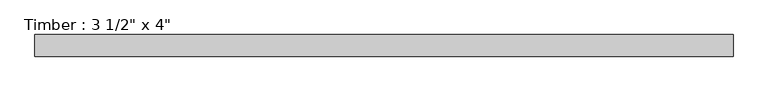
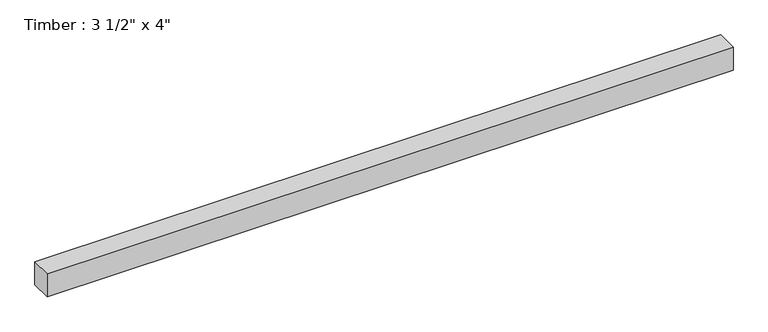
"""IFC4 building model written with IfcOpenShell, lengths in millimetres: beam geometry."""

import ifcopenshell
import ifcopenshell.guid

model = None  # the IFC model being written
_history = None  # IfcOwnerHistory: only IFC2X3 demands one
_inside = {}  # id of a spatial element -> (the spatial element, [elements in it])
_under = {}  # id of a project, library or spatial element -> (it, [spatial elements below it])
_declared = {}  # id of a project -> (the project, [libraries it declares])
_typed = {}  # id of a type object -> (the type object, [elements of that type])
_made_of = {}  # id of a material, layer set ... -> (it, [elements and type objects made of it])


def new_model(schema):
    """Start an empty IFC model of exactly this schema.

    Asked for "IFC4X3", IfcOpenShell would pick the latest addendum, in which some entities
    have other attributes; the version numbers below select the first issue.
    IFC2X3 requires an IfcOwnerHistory on every rooted entity: one is made here for all.
    """
    global model, _history
    if schema == "IFC4X3":
        model = ifcopenshell.file(schema_version=(4, 3, 0, 0))
    else:
        model = ifcopenshell.file(schema=schema)
    _inside.clear()
    _under.clear()
    _declared.clear()
    _typed.clear()
    _made_of.clear()
    _history = None
    if model.schema == "IFC2X3":
        org = make("IfcOrganization", Name="unknown")
        user = make(
            "IfcPersonAndOrganization",
            ThePerson=make("IfcPerson", FamilyName="unknown"),
            TheOrganization=org,
        )
        app = make(
            "IfcApplication",
            ApplicationDeveloper=org,
            Version="unknown",
            ApplicationFullName="unknown",
            ApplicationIdentifier="unknown",
        )
        _history = make(
            "IfcOwnerHistory",
            OwningUser=user,
            OwningApplication=app,
            ChangeAction="ADDED",
            CreationDate=0,
        )
    return model


def make(cls, **values):
    """One entity of the class cls with the attributes given. An attribute that is None is left unset."""
    return model.create_entity(
        cls, **{name: value for name, value in values.items() if value is not None}
    )


def rooted(cls, **values):
    """An entity with a GlobalId (a new one), such as an element, a storey or a relation."""
    return make(cls, GlobalId=ifcopenshell.guid.new(), OwnerHistory=_history, **values)


def si_unit(unit_type, name, prefix=None):
    """IfcSIUnit, for example si_unit("LENGTHUNIT", "METRE", prefix="MILLI")."""
    return make("IfcSIUnit", UnitType=unit_type, Prefix=prefix, Name=name)


def assignment(units):
    """IfcUnitAssignment: the units of a project."""
    return None if units is None else make("IfcUnitAssignment", Units=units)


def point(xyz):
    """IfcCartesianPoint."""
    return None if xyz is None else make("IfcCartesianPoint", Coordinates=xyz)


def direction(xyz):
    """IfcDirection."""
    return None if xyz is None else make("IfcDirection", DirectionRatios=xyz)


def frame(location, z_axis=None, x_axis=None):
    """IfcAxis2Placement3D, a coordinate frame: its origin and axes. An axis left out is left unset."""
    return make(
        "IfcAxis2Placement3D",
        Location=point(location),
        Axis=direction(z_axis),
        RefDirection=direction(x_axis),
    )


def origin():
    """The frame at (0, 0, 0) with its axes left unset."""
    return frame((0.0, 0.0, 0.0))


def place(relative_to, where):
    """IfcLocalPlacement: puts the frame where relative to a parent placement (None: the world)."""
    return make(
        "IfcLocalPlacement", PlacementRelTo=relative_to, RelativePlacement=where
    )


def context(
    kind, dimensions, precision=None, world=None, true_north=None, identifier=None
):
    """IfcGeometricRepresentationContext, for example the 3D "Model" context."""
    return make(
        "IfcGeometricRepresentationContext",
        ContextIdentifier=identifier,
        ContextType=kind,
        CoordinateSpaceDimension=dimensions,
        Precision=precision,
        WorldCoordinateSystem=world,
        TrueNorth=true_north,
    )


def project(units=None, contexts=None):
    """IfcProject with its units and contexts."""
    return rooted(
        "IfcProject",
        Name="project",
        RepresentationContexts=contexts,
        UnitsInContext=assignment(units),
    )


def spatial(cls, under=None, at=None, **own):
    """A site, building, storey or space (cls), placed at a placement, below another one or the project."""
    s = rooted(cls, ObjectPlacement=at, **own)
    if under is not None:
        _under.setdefault(under.id(), (under, []))[1].append(s)
    return s


def polyline(points):
    """IfcPolyline through the points."""
    return make("IfcPolyline", Points=[point(p) for p in points])


def outline(outer, holes=None, kind="AREA"):
    """IfcArbitraryClosedProfileDef: a profile drawn as a closed curve; with holes, ...WithVoids."""
    if holes is None:
        return make("IfcArbitraryClosedProfileDef", ProfileType=kind, OuterCurve=outer)
    return make(
        "IfcArbitraryProfileDefWithVoids",
        ProfileType=kind,
        OuterCurve=outer,
        InnerCurves=holes,
    )


def extrude(swept, where, along, depth):
    """IfcExtrudedAreaSolid: the profile swept, set in the frame where, extruded along a direction by depth."""
    return make(
        "IfcExtrudedAreaSolid",
        SweptArea=swept,
        Position=where,
        ExtrudedDirection=direction(along),
        Depth=depth,
    )


def shape(context_of_items, identifier, shape_type, items):
    """IfcShapeRepresentation: the items that make up one representation, for example the "Body"."""
    return make(
        "IfcShapeRepresentation",
        ContextOfItems=context_of_items,
        RepresentationIdentifier=identifier,
        RepresentationType=shape_type,
        Items=items,
    )


def source(mapping_origin, context_of_items, identifier, shape_type, items):
    """IfcRepresentationMap: a shape defined once, which mapped items show again and again."""
    return make(
        "IfcRepresentationMap",
        MappingOrigin=mapping_origin,
        MappedRepresentation=shape(context_of_items, identifier, shape_type, items),
    )


def transform(
    local_origin,
    x_axis=None,
    y_axis=None,
    z_axis=None,
    scale=None,
    scale2=None,
    scale3=None,
    uniform=True,
):
    """IfcCartesianTransformationOperator3D, or its non-uniform kind. x_axis, y_axis, z_axis: its Axis1, 2, 3."""
    if uniform:
        return make(
            "IfcCartesianTransformationOperator3D",
            Axis1=direction(x_axis),
            Axis2=direction(y_axis),
            LocalOrigin=point(local_origin),
            Scale=scale,
            Axis3=direction(z_axis),
        )
    return make(
        "IfcCartesianTransformationOperator3DnonUniform",
        Axis1=direction(x_axis),
        Axis2=direction(y_axis),
        LocalOrigin=point(local_origin),
        Scale=scale,
        Axis3=direction(z_axis),
        Scale2=scale2,
        Scale3=scale3,
    )


def mapped(mapping_source, mapping_target):
    """IfcMappedItem: shows the shape of a source again, moved by a transform."""
    return make(
        "IfcMappedItem", MappingSource=mapping_source, MappingTarget=mapping_target
    )


def made_of(thing, what):
    """Note that an element or type object is made of a material, layer set ...; save() writes the relation."""
    if what is not None:
        _made_of.setdefault(what.id(), (what, []))[1].append(thing)
    return thing


def element(
    cls,
    number,
    at=None,
    inside=None,
    cuts=None,
    type_object=None,
    material=None,
    context=None,
    identifier="Body",
    shape_type=None,
    held_by="IfcProductDefinitionShape",
    body=None,
    shapes=None,
    **own,
):
    """One element of the class cls, such as IfcWall. Its Tag is "e" and its number.

    at: its placement. inside: the storey or other place that contains it. cuts: it is an
    opening in that element (IfcRelVoidsElement). A single representation is given by context,
    identifier, shape_type and body (its items); several are given by shapes. held_by: the class
    of the entity that holds the representations. save() writes the other relations.
    """
    e = rooted(cls, Tag="e%d" % number, ObjectPlacement=at, **own)
    if body is not None:
        shapes = [shape(context, identifier, shape_type, body)]
    if shapes is not None:
        e.Representation = make(held_by, Representations=shapes)
    if inside is not None:
        _inside.setdefault(inside.id(), (inside, []))[1].append(e)
    if cuts is not None:
        rooted(
            "IfcRelVoidsElement", RelatingBuildingElement=cuts, RelatedOpeningElement=e
        )
    if type_object is not None:
        _typed.setdefault(type_object.id(), (type_object, []))[1].append(e)
    return made_of(e, material)


def aggregate(whole, parts):
    """IfcRelAggregates: a whole, such as a stair, and the parts it consists of."""
    return rooted("IfcRelAggregates", RelatingObject=whole, RelatedObjects=parts)


def save(model, path):
    """Write the relations noted so far, then the file.

    IfcRelAggregates (storeys below a building ...), IfcRelContainedInSpatialStructure (elements
    in a storey), IfcRelDefinesByType, IfcRelAssociatesMaterial and IfcRelDeclares: one each for
    every whole, place, type object, material and project.
    """
    for whole, parts in _under.values():
        aggregate(whole, parts)
    for where, things in _inside.values():
        rooted(
            "IfcRelContainedInSpatialStructure",
            RelatedElements=things,
            RelatingStructure=where,
        )
    for kind, things in _typed.values():
        rooted("IfcRelDefinesByType", RelatedObjects=things, RelatingType=kind)
    for what, things in _made_of.values():
        rooted("IfcRelAssociatesMaterial", RelatedObjects=things, RelatingMaterial=what)
    for by, libraries in _declared.values():
        rooted("IfcRelDeclares", RelatingContext=by, RelatedDefinitions=libraries)
    model.write(path)


def beam_c2443949(model_context):
    return source(origin(), model_context, "Body", "SweptSolid", [
        extrude(outline(polyline([(1433.1038961, 44.45), (1433.1038961, -44.45), (-1433.1038961, -44.45), (-1433.1038961, 44.45), (1433.1038961, 44.45)])), frame((0.0, 0.0, -50.8), z_axis=(0.0, 0.0, 1.0), x_axis=(1.0, 0.0, 0.0)), (0.0, 0.0, 1.0), 101.6),
    ])


if __name__ == "__main__":
    model = new_model("IFC4")
    model_context = context("Model", 3, world=origin())
    ifc_project = project(units=[si_unit("LENGTHUNIT", "METRE", prefix="MILLI")], contexts=[model_context])
    site = spatial("IfcSite", under=ifc_project)
    building = spatial("IfcBuilding", under=site)
    placement = place(None, origin())
    beam_shape = beam_c2443949(model_context)
    element("IfcBeam", 1, ObjectType="Timber : 3 1/2\" x 4\"", at=placement, inside=building, context=model_context, shape_type="MappedRepresentation", body=[
        mapped(beam_shape, transform((0.0, 0.0, 0.0), x_axis=(1.0, 0.0, 0.0), y_axis=(0.0, 1.0, 0.0), z_axis=(0.0, 0.0, 1.0))),
    ])
    save(model, "model.ifc")
